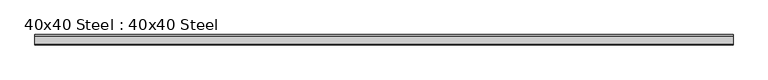
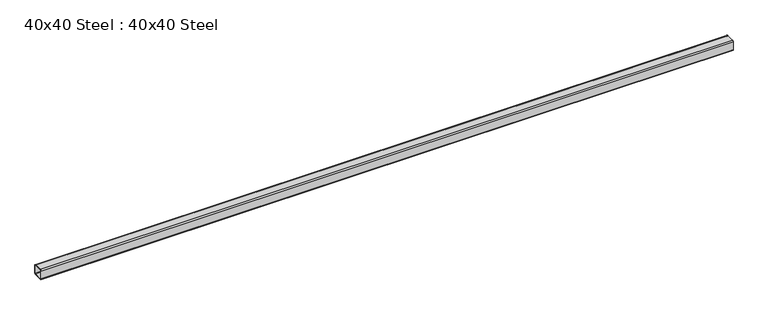
"""IFC4 building model written with IfcOpenShell, lengths in millimetres: proxy geometry, 40x40 Steel : 40x40 Steel."""

from ifc_helpers import new_model, si_unit, point, frame, frame_2d, origin, place, context, project, spatial, polyline, circle_curve, trimmed, segment, composite_curve, outline, extrude, source, transform, mapped, element, save


def proxy_40x40_steel_40x40_steel_405e67d8(model_context):
    return source(origin(), model_context, "Body", "SweptSolid", [
        extrude(outline(composite_curve([segment(trimmed(circle_curve(frame_2d((34.1, 4.0)), 4.0), [point((38.1, 4.0))], [point((34.1, 0.0))], False, "CARTESIAN"), True, "CONTINUOUS"), segment(polyline([(34.1, 0.0), (4.0, 0.0)]), True, "CONTINUOUS"), segment(trimmed(circle_curve(frame_2d((4.0, 4.0)), 4.0), [point((4.0, 0.0))], [point((0.0, 4.0))], False, "CARTESIAN"), True, "CONTINUOUS"), segment(polyline([(0.0, 4.0), (0.0, 34.1)]), True, "CONTINUOUS"), segment(trimmed(circle_curve(frame_2d((4.0, 34.1)), 4.0), [point((0.0, 34.1))], [point((4.0, 38.1))], False, "CARTESIAN"), True, "CONTINUOUS"), segment(polyline([(4.0, 38.1), (34.1, 38.1)]), True, "CONTINUOUS"), segment(trimmed(circle_curve(frame_2d((34.1, 34.1)), 4.0), [point((34.1, 38.1))], [point((38.1, 34.1))], False, "CARTESIAN"), True, "CONTINUOUS"), segment(polyline([(38.1, 34.1), (38.1, 4.0)]), True, "CONTINUOUS")], self_intersect=False), holes=[composite_curve([segment(polyline([(35.1, 4.0), (35.1, 34.1)]), True, "CONTINUOUS"), segment(trimmed(circle_curve(frame_2d((34.1, 34.1)), 1.0), [point((35.1, 34.1))], [point((34.1, 35.1))], True, "CARTESIAN"), True, "CONTINUOUS"), segment(polyline([(34.1, 35.1), (4.0, 35.1)]), True, "CONTINUOUS"), segment(trimmed(circle_curve(frame_2d((4.0, 34.1)), 1.0), [point((4.0, 35.1))], [point((3.0, 34.1))], True, "CARTESIAN"), True, "CONTINUOUS"), segment(polyline([(3.0, 34.1), (3.0, 4.0)]), True, "CONTINUOUS"), segment(trimmed(circle_curve(frame_2d((4.0, 4.0)), 1.0), [point((3.0, 4.0))], [point((4.0, 3.0))], True, "CARTESIAN"), True, "CONTINUOUS"), segment(polyline([(4.0, 3.0), (34.1, 3.0)]), True, "CONTINUOUS"), segment(trimmed(circle_curve(frame_2d((34.1, 4.0)), 1.0), [point((34.1, 3.0))], [point((35.1, 4.0))], True, "CARTESIAN"), True, "CONTINUOUS")], self_intersect=False)]), frame((0.0, 0.0, 0.0), z_axis=(1.0, 0.0, 0.0), x_axis=(0.0, 1.0, 0.0)), (0.0, 0.0, 1.0), 2530.0),
    ])


if __name__ == "__main__":
    model = new_model("IFC4")
    model_context = context("Model", 3, world=origin())
    ifc_project = project(units=[si_unit("LENGTHUNIT", "METRE", prefix="MILLI")], contexts=[model_context])
    site = spatial("IfcSite", under=ifc_project)
    building = spatial("IfcBuilding", under=site)
    placement = place(None, origin())
    proxy_40x40_steel_40x40_steel_shape = proxy_40x40_steel_40x40_steel_405e67d8(model_context)
    element("IfcBuildingElementProxy", 1, Name="40x40 Steel : 40x40 Steel", ObjectType="40x40 Steel : 40x40 Steel", at=placement, inside=building, context=model_context, shape_type="MappedRepresentation", body=[
        mapped(proxy_40x40_steel_40x40_steel_shape, transform((0.0, 0.0, 0.0), x_axis=(1.0, 0.0, 0.0), y_axis=(0.0, 1.0, 0.0), z_axis=(0.0, 0.0, 1.0))),
    ])
    save(model, "model.ifc")
